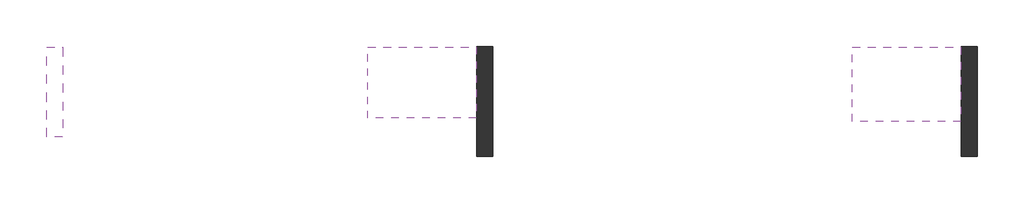
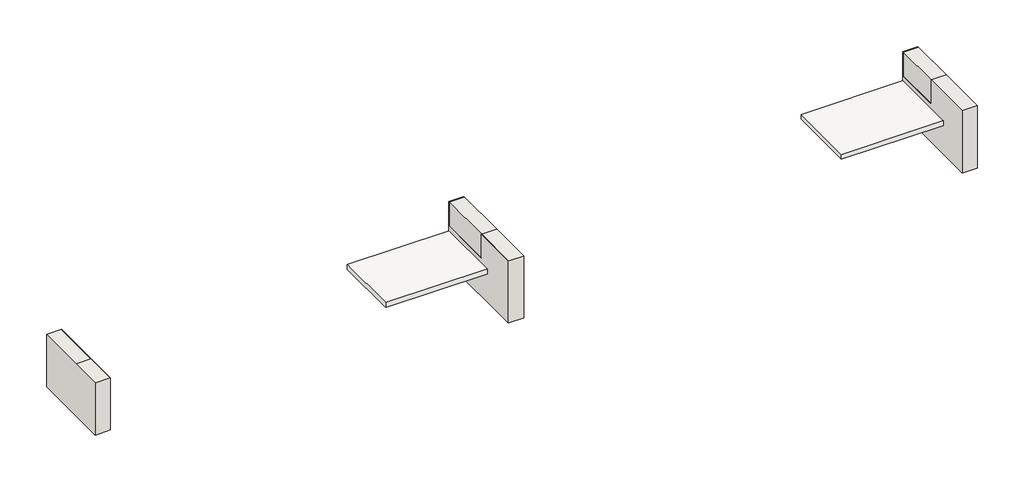
# One storey: 3 walls, 2 slabs.
"""IFC4 building model written with IfcOpenShell, lengths in millimetres."""

from ifc_helpers import new_model, si_unit, frame, origin, place, context, project, spatial, polyline, outline, extrude, faceted_brep, element, save

model = new_model("IFC4")

# Units and contexts
model_context = context("Model", 3, world=origin())
ifc_project = project(units=[si_unit("LENGTHUNIT", "METRE", prefix="MILLI")], contexts=[model_context])

# Site, building, storey
site = spatial("IfcSite", under=ifc_project)
building = spatial("IfcBuilding", under=site)
storey = spatial("IfcBuildingStorey", under=building, Elevation=-300.0)

# Slabs
placement = place(None, origin())
element("IfcSlab", 1, at=placement, inside=storey, context=model_context, shape_type="SweptSolid", body=[
    extrude(outline(polyline([(8836.7093764, 9849.2447161), (8836.7093764, 13769.2447161), (14836.7093764, 13769.2447161), (14836.7093764, 9849.2447161), (8836.7093764, 9849.2447161)])), frame((0.0, 0.0, 2360.913375), z_axis=(0.0, 0.0, 1.0), x_axis=(1.0, 0.0, 0.0)), (0.0, 0.0, 1.0), 300.0),
])
element("IfcSlab", 2, at=placement, inside=storey, context=model_context, shape_type="SweptSolid", body=[
    extrude(outline(polyline([(35636.7093764, 9649.2447161), (35636.7093764, 13769.2447161), (41636.7093764, 13769.2447161), (41636.7093764, 9649.2447161), (35636.7093764, 9649.2447161)])), frame((0.0, 0.0, 2360.913375), z_axis=(0.0, 0.0, 1.0), x_axis=(1.0, 0.0, 0.0)), (0.0, 0.0, 1.0), 300.0),
])

# Walls
element("IfcWall", 3, at=placement, inside=storey, context=model_context, shape_type="Brep", body=[
    faceted_brep([(-8024.9802693, 8809.2447161, 1232.7066929), (-8024.9802693, 13769.2447161, 1232.7066929), (-8024.9802693, 13769.2447161, 4507.8922137), (-8024.9802693, 10749.2447161, 4507.8922137), (-8024.9802693, 8809.2447161, 4507.8922137), (-8924.9802693, 8809.2447161, 1232.7066929), (-8924.9802693, 8809.2447161, 4507.8922137), (-8924.9802693, 10749.2447161, 4507.8922137), (-8924.9802693, 13769.2447161, 4507.8922137), (-8924.9802693, 13769.2447161, 1232.7066929), (-8044.9802693, 13769.2447161, 4507.8922137), (-8044.9802693, 8809.2447161, 4507.8922137), (-8044.9802693, 10749.2447161, 4507.8922137)], [[[0, 1, 2, 3, 4]], [[5, 6, 7, 8, 9]], [[1, 0, 5, 9]], [[2, 1, 9, 8, 10]], [[0, 4, 11, 6, 5]], [[7, 6, 11, 12]], [[3, 2, 10, 12]], [[4, 3, 12, 11]], [[10, 8, 7, 12]]]),
])
element("IfcWall", 4, at=placement, inside=storey, context=model_context, shape_type="Brep", body=[
    faceted_brep([(15749.2594014, 7717.1364417, 569.7258395), (15749.2594014, 13817.1364417, 569.7258395), (15749.2594014, 13817.1364417, 4457.4752976), (15749.2594014, 13765.0643227, 4457.4752976), (15749.2594014, 10469.2447161, 4457.4752976), (15749.2594014, 7717.1364417, 4457.4752976), (14849.2594014, 7717.1364417, 569.7258395), (14849.2594014, 7717.1364417, 4457.4752976), (14849.2594014, 10469.2447161, 4457.4752976), (14849.2594014, 10469.2447161, 2977.1918436), (14849.2594014, 10532.0585246, 2977.1918436), (14849.2594014, 13765.0643227, 2962.2153075), (14849.2594014, 13765.0643227, 4457.4752976), (14849.2594014, 13817.1364417, 4457.4752976), (14849.2594014, 13817.1364417, 569.7258395), (14855.4090394, 13817.1364417, 4457.4752976), (14855.4090394, 7717.1364417, 4457.4752976), (14855.4090394, 13765.0643227, 4457.4752976), (14855.4090394, 13765.0643227, 2965.645861), (14855.4090394, 10469.2447161, 4457.4752976), (14855.4090394, 10469.2447161, 2980.913375)], [[[0, 1, 2, 3, 4, 5]], [[6, 7, 8, 9, 10, 11, 12, 13, 14]], [[1, 0, 6, 14]], [[2, 1, 14, 13, 15]], [[0, 5, 16, 7, 6]], [[17, 12, 11, 18]], [[19, 17, 18, 20]], [[15, 13, 12, 17]], [[3, 2, 15, 17]], [[8, 7, 16, 19]], [[8, 19, 20, 9]], [[4, 3, 17, 19]], [[5, 4, 19, 16]], [[18, 11, 10, 20]], [[10, 9, 20]]]),
])
element("IfcWall", 5, at=placement, inside=storey, context=model_context, shape_type="Brep", body=[
    faceted_brep([(42549.2594014, 7717.1364417, 569.7258395), (42549.2594014, 13817.1364417, 569.7258395), (42549.2594014, 13817.1364417, 4457.4752976), (42549.2594014, 13765.0643227, 4457.4752976), (42549.2594014, 10909.2447161, 4457.4752976), (42549.2594014, 7717.1364417, 4457.4752976), (41649.2594014, 7717.1364417, 569.7258395), (41649.2594014, 7717.1364417, 4457.4752976), (41649.2594014, 10909.2447161, 4457.4752976), (41649.2594014, 10909.2447161, 2977.1918436), (41649.2594014, 10963.6727272, 2977.1918436), (41649.2594014, 13765.0643227, 2962.2153075), (41649.2594014, 13765.0643227, 4457.4752976), (41649.2594014, 13817.1364417, 4457.4752976), (41649.2594014, 13817.1364417, 569.7258395), (41655.4090394, 13817.1364417, 4457.4752976), (41655.4090394, 7717.1364417, 4457.4752976), (41655.4090394, 13765.0643227, 4457.4752976), (41655.4090394, 13765.0643227, 2965.645861), (41655.4090394, 10909.2447161, 4457.4752976), (41655.4090394, 10909.2447161, 2980.913375)], [[[0, 1, 2, 3, 4, 5]], [[6, 7, 8, 9, 10, 11, 12, 13, 14]], [[1, 0, 6, 14]], [[2, 1, 14, 13, 15]], [[0, 5, 16, 7, 6]], [[17, 12, 11, 18]], [[19, 17, 18, 20]], [[15, 13, 12, 17]], [[3, 2, 15, 17]], [[8, 7, 16, 19]], [[8, 19, 20, 9]], [[4, 3, 17, 19]], [[5, 4, 19, 16]], [[18, 11, 10, 20]], [[10, 9, 20]]]),
])

save(model, "model.ifc")
